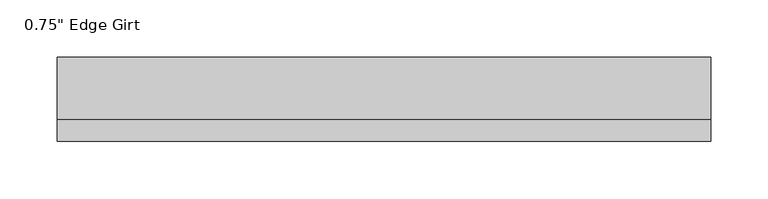
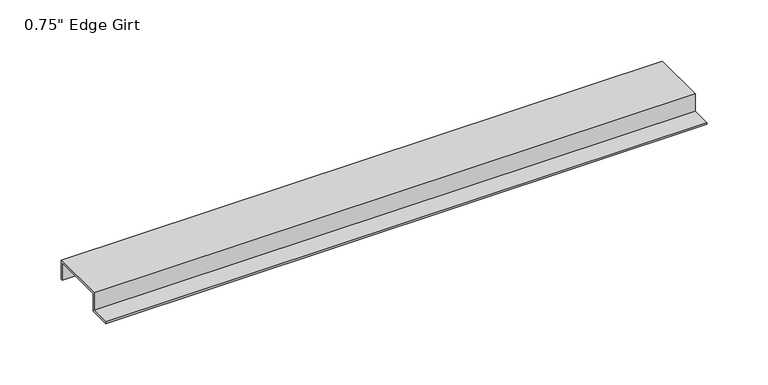
"""IFC4 building model written with IfcOpenShell, lengths in millimetres: proxy geometry."""

import ifcopenshell
import ifcopenshell.guid

model = None  # the IFC model being written
_history = None  # IfcOwnerHistory: only IFC2X3 demands one
_inside = {}  # id of a spatial element -> (the spatial element, [elements in it])
_under = {}  # id of a project, library or spatial element -> (it, [spatial elements below it])
_declared = {}  # id of a project -> (the project, [libraries it declares])
_typed = {}  # id of a type object -> (the type object, [elements of that type])
_made_of = {}  # id of a material, layer set ... -> (it, [elements and type objects made of it])


def new_model(schema):
    """Start an empty IFC model of exactly this schema.

    Asked for "IFC4X3", IfcOpenShell would pick the latest addendum, in which some entities
    have other attributes; the version numbers below select the first issue.
    IFC2X3 requires an IfcOwnerHistory on every rooted entity: one is made here for all.
    """
    global model, _history
    if schema == "IFC4X3":
        model = ifcopenshell.file(schema_version=(4, 3, 0, 0))
    else:
        model = ifcopenshell.file(schema=schema)
    _inside.clear()
    _under.clear()
    _declared.clear()
    _typed.clear()
    _made_of.clear()
    _history = None
    if model.schema == "IFC2X3":
        org = make("IfcOrganization", Name="unknown")
        user = make(
            "IfcPersonAndOrganization",
            ThePerson=make("IfcPerson", FamilyName="unknown"),
            TheOrganization=org,
        )
        app = make(
            "IfcApplication",
            ApplicationDeveloper=org,
            Version="unknown",
            ApplicationFullName="unknown",
            ApplicationIdentifier="unknown",
        )
        _history = make(
            "IfcOwnerHistory",
            OwningUser=user,
            OwningApplication=app,
            ChangeAction="ADDED",
            CreationDate=0,
        )
    return model


def make(cls, **values):
    """One entity of the class cls with the attributes given. An attribute that is None is left unset."""
    return model.create_entity(
        cls, **{name: value for name, value in values.items() if value is not None}
    )


def rooted(cls, **values):
    """An entity with a GlobalId (a new one), such as an element, a storey or a relation."""
    return make(cls, GlobalId=ifcopenshell.guid.new(), OwnerHistory=_history, **values)


def si_unit(unit_type, name, prefix=None):
    """IfcSIUnit, for example si_unit("LENGTHUNIT", "METRE", prefix="MILLI")."""
    return make("IfcSIUnit", UnitType=unit_type, Prefix=prefix, Name=name)


def assignment(units):
    """IfcUnitAssignment: the units of a project."""
    return None if units is None else make("IfcUnitAssignment", Units=units)


def point(xyz):
    """IfcCartesianPoint."""
    return None if xyz is None else make("IfcCartesianPoint", Coordinates=xyz)


def direction(xyz):
    """IfcDirection."""
    return None if xyz is None else make("IfcDirection", DirectionRatios=xyz)


def frame(location, z_axis=None, x_axis=None):
    """IfcAxis2Placement3D, a coordinate frame: its origin and axes. An axis left out is left unset."""
    return make(
        "IfcAxis2Placement3D",
        Location=point(location),
        Axis=direction(z_axis),
        RefDirection=direction(x_axis),
    )


def origin():
    """The frame at (0, 0, 0) with its axes left unset."""
    return frame((0.0, 0.0, 0.0))


def place(relative_to, where):
    """IfcLocalPlacement: puts the frame where relative to a parent placement (None: the world)."""
    return make(
        "IfcLocalPlacement", PlacementRelTo=relative_to, RelativePlacement=where
    )


def context(
    kind, dimensions, precision=None, world=None, true_north=None, identifier=None
):
    """IfcGeometricRepresentationContext, for example the 3D "Model" context."""
    return make(
        "IfcGeometricRepresentationContext",
        ContextIdentifier=identifier,
        ContextType=kind,
        CoordinateSpaceDimension=dimensions,
        Precision=precision,
        WorldCoordinateSystem=world,
        TrueNorth=true_north,
    )


def project(units=None, contexts=None):
    """IfcProject with its units and contexts."""
    return rooted(
        "IfcProject",
        Name="project",
        RepresentationContexts=contexts,
        UnitsInContext=assignment(units),
    )


def spatial(cls, under=None, at=None, **own):
    """A site, building, storey or space (cls), placed at a placement, below another one or the project."""
    s = rooted(cls, ObjectPlacement=at, **own)
    if under is not None:
        _under.setdefault(under.id(), (under, []))[1].append(s)
    return s


def polyline(points):
    """IfcPolyline through the points."""
    return make("IfcPolyline", Points=[point(p) for p in points])


def outline(outer, holes=None, kind="AREA"):
    """IfcArbitraryClosedProfileDef: a profile drawn as a closed curve; with holes, ...WithVoids."""
    if holes is None:
        return make("IfcArbitraryClosedProfileDef", ProfileType=kind, OuterCurve=outer)
    return make(
        "IfcArbitraryProfileDefWithVoids",
        ProfileType=kind,
        OuterCurve=outer,
        InnerCurves=holes,
    )


def extrude(swept, where, along, depth):
    """IfcExtrudedAreaSolid: the profile swept, set in the frame where, extruded along a direction by depth."""
    return make(
        "IfcExtrudedAreaSolid",
        SweptArea=swept,
        Position=where,
        ExtrudedDirection=direction(along),
        Depth=depth,
    )


def shape(context_of_items, identifier, shape_type, items):
    """IfcShapeRepresentation: the items that make up one representation, for example the "Body"."""
    return make(
        "IfcShapeRepresentation",
        ContextOfItems=context_of_items,
        RepresentationIdentifier=identifier,
        RepresentationType=shape_type,
        Items=items,
    )


def source(mapping_origin, context_of_items, identifier, shape_type, items):
    """IfcRepresentationMap: a shape defined once, which mapped items show again and again."""
    return make(
        "IfcRepresentationMap",
        MappingOrigin=mapping_origin,
        MappedRepresentation=shape(context_of_items, identifier, shape_type, items),
    )


def transform(
    local_origin,
    x_axis=None,
    y_axis=None,
    z_axis=None,
    scale=None,
    scale2=None,
    scale3=None,
    uniform=True,
):
    """IfcCartesianTransformationOperator3D, or its non-uniform kind. x_axis, y_axis, z_axis: its Axis1, 2, 3."""
    if uniform:
        return make(
            "IfcCartesianTransformationOperator3D",
            Axis1=direction(x_axis),
            Axis2=direction(y_axis),
            LocalOrigin=point(local_origin),
            Scale=scale,
            Axis3=direction(z_axis),
        )
    return make(
        "IfcCartesianTransformationOperator3DnonUniform",
        Axis1=direction(x_axis),
        Axis2=direction(y_axis),
        LocalOrigin=point(local_origin),
        Scale=scale,
        Axis3=direction(z_axis),
        Scale2=scale2,
        Scale3=scale3,
    )


def mapped(mapping_source, mapping_target):
    """IfcMappedItem: shows the shape of a source again, moved by a transform."""
    return make(
        "IfcMappedItem", MappingSource=mapping_source, MappingTarget=mapping_target
    )


def made_of(thing, what):
    """Note that an element or type object is made of a material, layer set ...; save() writes the relation."""
    if what is not None:
        _made_of.setdefault(what.id(), (what, []))[1].append(thing)
    return thing


def element(
    cls,
    number,
    at=None,
    inside=None,
    cuts=None,
    type_object=None,
    material=None,
    context=None,
    identifier="Body",
    shape_type=None,
    held_by="IfcProductDefinitionShape",
    body=None,
    shapes=None,
    **own,
):
    """One element of the class cls, such as IfcWall. Its Tag is "e" and its number.

    at: its placement. inside: the storey or other place that contains it. cuts: it is an
    opening in that element (IfcRelVoidsElement). A single representation is given by context,
    identifier, shape_type and body (its items); several are given by shapes. held_by: the class
    of the entity that holds the representations. save() writes the other relations.
    """
    e = rooted(cls, Tag="e%d" % number, ObjectPlacement=at, **own)
    if body is not None:
        shapes = [shape(context, identifier, shape_type, body)]
    if shapes is not None:
        e.Representation = make(held_by, Representations=shapes)
    if inside is not None:
        _inside.setdefault(inside.id(), (inside, []))[1].append(e)
    if cuts is not None:
        rooted(
            "IfcRelVoidsElement", RelatingBuildingElement=cuts, RelatedOpeningElement=e
        )
    if type_object is not None:
        _typed.setdefault(type_object.id(), (type_object, []))[1].append(e)
    return made_of(e, material)


def aggregate(whole, parts):
    """IfcRelAggregates: a whole, such as a stair, and the parts it consists of."""
    return rooted("IfcRelAggregates", RelatingObject=whole, RelatedObjects=parts)


def save(model, path):
    """Write the relations noted so far, then the file.

    IfcRelAggregates (storeys below a building ...), IfcRelContainedInSpatialStructure (elements
    in a storey), IfcRelDefinesByType, IfcRelAssociatesMaterial and IfcRelDeclares: one each for
    every whole, place, type object, material and project.
    """
    for whole, parts in _under.values():
        aggregate(whole, parts)
    for where, things in _inside.values():
        rooted(
            "IfcRelContainedInSpatialStructure",
            RelatedElements=things,
            RelatingStructure=where,
        )
    for kind, things in _typed.values():
        rooted("IfcRelDefinesByType", RelatedObjects=things, RelatingType=kind)
    for what, things in _made_of.values():
        rooted("IfcRelAssociatesMaterial", RelatedObjects=things, RelatingMaterial=what)
    for by, libraries in _declared.values():
        rooted("IfcRelDeclares", RelatingContext=by, RelatedDefinitions=libraries)
    model.write(path)


def proxy_219b8ab6(model_context):
    return source(origin(), model_context, "Body", "SweptSolid", [
        extrude(outline(polyline([(-46.0559645, -17.4375), (-46.0559645, -15.8242), (-27.0129, -15.8242), (-27.0129, 1.6129), (27.0129, 1.6129), (27.0129, -17.4375), (25.4, -17.4375), (25.4, 0.0), (-25.4, 0.0), (-25.4, -17.4375), (-46.0559645, -17.4375)])), frame((0.0, 0.0, 0.0), z_axis=(1.0, 0.0, 0.0), x_axis=(0.0, 1.0, 0.0)), (0.0, 0.0, 1.0), 568.5656064),
    ])


if __name__ == "__main__":
    model = new_model("IFC4")
    model_context = context("Model", 3, world=origin())
    ifc_project = project(units=[si_unit("LENGTHUNIT", "METRE", prefix="MILLI")], contexts=[model_context])
    site = spatial("IfcSite", under=ifc_project)
    building = spatial("IfcBuilding", under=site)
    placement = place(None, origin())
    proxy_shape = proxy_219b8ab6(model_context)
    element("IfcBuildingElementProxy", 1, Name="0.75\" Edge Girt", ObjectType="0.75\" Edge Girt", at=placement, inside=building, context=model_context, shape_type="MappedRepresentation", body=[
        mapped(proxy_shape, transform((0.0, 0.0, 0.0), x_axis=(1.0, 0.0, 0.0), y_axis=(0.0, 1.0, 0.0), z_axis=(0.0, 0.0, 1.0))),
    ])
    save(model, "model.ifc")
